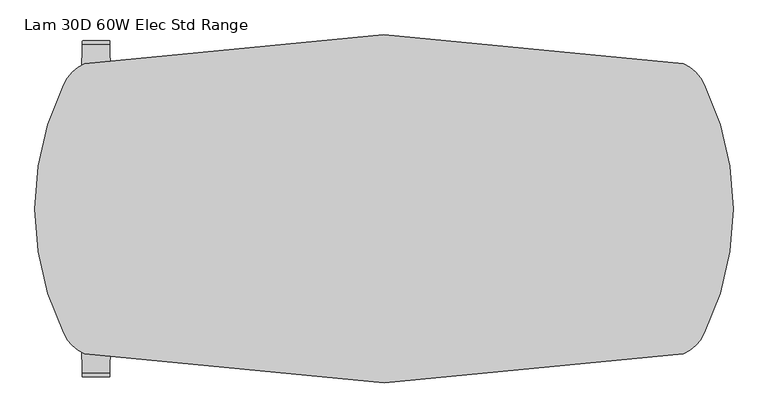
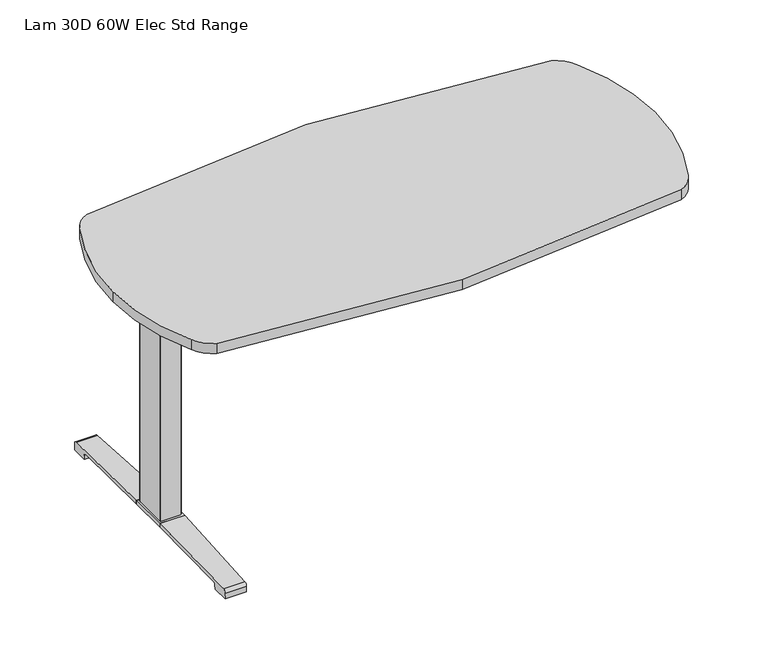
"""IFC4 building model written with IfcOpenShell, lengths in millimetres: furniture geometry, Lam 30D 60W Elec Std Range."""

from ifc_helpers import new_model, si_unit, point, frame, frame_2d, origin, place, context, project, spatial, polyline, circle_curve, ellipse_curve, trimmed, segment, composite_curve, outline, extrude, source, transform, mapped, element, save
from ifc_brep_helpers import plane_surface, cylinder_surface, revolved_surface, advanced_brep


def lam_30d_60w_elec_std_range_98c29b1e(model_context):
    return source(origin(), model_context, "Body", "SolidModel", [
        extrude(outline(composite_curve([segment(trimmed(circle_curve(frame_2d((-0.0040286, -3007.2815527)), 3386.7575527), [point((-651.7212572, 316.1792))], [point((-0.0040286, 379.476))], False, "CARTESIAN"), True, "CONTINUOUS"), segment(trimmed(circle_curve(frame_2d((-0.0040286, -3007.2815527)), 3386.7575527), [point((-0.0040286, 379.476))], [point((651.7132, 316.1792))], False, "CARTESIAN"), True, "CONTINUOUS"), segment(trimmed(circle_curve(frame_2d((622.090242, 241.090242)), 80.7209468), [point((651.7132, 316.1792))], [point((697.1792, 270.7132))], False, "CARTESIAN"), True, "CONTINUOUS"), segment(trimmed(circle_curve(frame_2d((149.9228477, 0.0)), 610.5531523), [point((697.1792, 270.7132))], [point((760.476, 0.0))], False, "CARTESIAN"), True, "CONTINUOUS"), segment(trimmed(circle_curve(frame_2d((149.9228477, 0.0)), 610.5531523), [point((760.476, 0.0))], [point((697.1792, -270.7132))], False, "CARTESIAN"), True, "CONTINUOUS"), segment(trimmed(circle_curve(frame_2d((622.090242, -241.090242)), 80.7209468), [point((697.1792, -270.7132))], [point((651.7132, -316.1792))], False, "CARTESIAN"), True, "CONTINUOUS"), segment(trimmed(circle_curve(frame_2d((0.0, 3007.2400737)), 3386.7160737), [point((651.7132, -316.1792))], [point((0.0, -379.476))], False, "CARTESIAN"), True, "CONTINUOUS"), segment(trimmed(circle_curve(frame_2d((0.0, 3007.2400737)), 3386.7160737), [point((0.0, -379.476))], [point((-651.7132, -316.1792))], False, "CARTESIAN"), True, "CONTINUOUS"), segment(trimmed(circle_curve(frame_2d((-622.090242, -241.090242)), 80.7209468), [point((-651.7132, -316.1792))], [point((-697.1792, -270.7132))], False, "CARTESIAN"), True, "CONTINUOUS"), segment(trimmed(circle_curve(frame_2d((-149.9228477, 0.0)), 610.5531523), [point((-697.1792, -270.7132))], [point((-760.476, 0.0))], False, "CARTESIAN"), True, "CONTINUOUS"), segment(trimmed(circle_curve(frame_2d((-149.9228477, 0.0)), 610.5531523), [point((-760.476, 0.0))], [point((-697.1792, 270.7132))], False, "CARTESIAN"), True, "CONTINUOUS"), segment(trimmed(circle_curve(frame_2d((-622.0896405, 241.0948909)), 80.7198004), [point((-697.1792, 270.7132))], [point((-651.7212572, 316.1792))], False, "CARTESIAN"), True, "CONTINUOUS")], self_intersect=False)), frame((0.0, 0.0, 707.009), z_axis=(0.0, 0.0, 1.0), x_axis=(1.0, 0.0, 0.0)), (0.0, 0.0, 1.0), 29.591),
        advanced_brep(
        [(-661.5906297, 53.5092702, 658.5915733), (-495.8622138, 53.5092702, 658.5915733), (-510.2424181, 51.2808169, 655.9442785), (-659.1018591, 51.2808169, 655.9442785), (-661.8125278, 53.518256, 658.8276054), (-664.2119089, 54.1622827, 675.7443054), (-481.4273962, 54.1622827, 675.7443054), (-481.4273962, 53.8142965, 666.6037253), (-484.2575093, 53.7331058, 664.4710821), (-484.4001644, 53.6554397, 662.4310191), (-665.0685362, 59.6293181, 681.7839076), (-481.4273962, 59.6293181, 681.7839076), (-667.5893767, 174.2005225, 699.5569507), (-603.3743442, 174.2005225, 699.5569507), (-481.4273962, 93.3958, 687.0219877), (-667.6628152, 177.9765275, 700.0747243), (-609.0729255, 177.9765275, 700.0747243), (-668.3371296, 179.4867839, 704.8289399), (-666.5521288, 176.9098888, 707.009), (-607.4632011, 176.9098888, 707.009), (-668.3371296, -179.4867839, 704.8289399), (-667.6628152, -177.9765275, 700.0747243), (-609.0729255, -177.9765275, 700.0747243), (-607.4632011, -176.9098888, 707.009), (-666.5521288, -176.9098888, 707.009), (-667.5893767, -174.2005225, 699.5569507), (-603.3743442, -174.2005225, 699.5569507), (-665.0685362, -59.6293181, 681.7839076), (-481.4273962, -59.6293181, 681.7839076), (-481.4273962, -93.3958, 687.0219877), (-664.2119089, -54.1622827, 675.7443054), (-481.4273962, -54.1622827, 675.7443054), (-661.8125278, -53.518256, 658.8276054), (-661.5906297, -53.5092702, 658.5915733), (-495.8622138, -53.5092702, 658.5915733), (-484.4001644, -53.6554397, 662.4310191), (-484.2575093, -53.7331058, 664.4710821), (-481.4273962, -53.8142965, 666.6037253), (-659.1018591, -51.2808169, 655.9442785), (-510.2424181, -51.2808169, 655.9442785), (-481.4273962, -93.3958, 707.009), (-481.4273962, 93.3958, 707.009)],
        [
            (0, 1),
            (1, 2, ellipse_curve(frame((-520.1436465, 130.5470009, 750.1086722), z_axis=(0.0, 0.7650318638532662, -0.6439924279750482), x_axis=(0.0, 0.6439924279750482, 0.7650318638532662)), 123.7641411, 94.6835116)),
            (2, 3),
            (3, 0),
            (0, 4),
            (4, 5),
            (5, 6),
            (6, 7),
            (7, 8),
            (8, 9),
            (9, 1, ellipse_curve(frame((-520.1436465, 56.9933686, 750.1086722), z_axis=(0.0, 0.999276106683639, -0.03804290487316255), x_axis=(0.0, 0.03804290487316397, 0.999276106683639)), 94.752102, 94.6835116)),
            (5, 10, ellipse_curve(frame((-664.1619691, 60.6208409, 675.3922075), z_axis=(-0.990090671484964, 0.0, -0.14042956326377007), x_axis=(-0.1404295632637696, 0.0, 0.990090671484964)), 6.5328852, 6.4681487)),
            (10, 11),
            (11, 6, circle_curve(frame((-481.4273962, 60.6208409, 675.3922075), z_axis=(1.0, 0.0, 0.0), x_axis=(0.0, 1.0, 0.0)), 6.4681487)),
            (10, 12),
            (12, 13),
            (13, 14),
            (14, 11),
            (12, 15),
            (15, 16),
            (16, 13),
            (15, 17, ellipse_curve(frame((-668.1230772, 175.9994111, 703.3197755), z_axis=(0.990090671484964, 0.0, 0.14042956326377007), x_axis=(0.1404295632637696, 0.0, -0.990090671484964)), 3.8379455, 3.7999141)),
            (17, 18, ellipse_curve(frame((-669.572811, 175.9994111, 703.3197755), z_axis=(0.7737284588433301, 0.0, -0.6335173809580328), x_axis=(0.6335173809580328, 0.0, 0.77372845884333)), 4.9111727, 3.7999141)),
            (18, 19),
            (19, 16, ellipse_curve(frame((-606.089148, 175.9994111, 703.3197755), z_axis=(-0.5523637579768157, -0.833603190297236, 0.0), x_axis=(0.833603190297236, -0.5523637579768157, 0.0)), 6.8793689, 3.7999141)),
            (20, 21, ellipse_curve(frame((-668.1230772, -175.9994111, 703.3197755), z_axis=(0.990090671484964, 0.0, 0.14042956326377007), x_axis=(0.1404295632637696, 0.0, -0.990090671484964)), 3.8379455, 3.7999141)),
            (21, 22),
            (22, 23, ellipse_curve(frame((-606.089148, -175.9994111, 703.3197755), z_axis=(-0.5523637579750327, 0.8336031902984176, 0.0), x_axis=(0.8336031902984175, 0.5523637579750327, 0.0)), 6.8793689, 3.7999141)),
            (23, 24),
            (24, 20, ellipse_curve(frame((-669.572811, -175.9994111, 703.3197755), z_axis=(0.7737284588433301, 0.0, -0.6335173809580328), x_axis=(0.6335173809580328, 0.0, 0.77372845884333)), 4.9111727, 3.7999141)),
            (21, 25),
            (25, 26),
            (26, 22),
            (27, 28),
            (28, 29),
            (29, 26),
            (25, 27),
            (27, 30, ellipse_curve(frame((-664.1619691, -60.6208409, 675.3922075), z_axis=(-0.990090671484964, 0.0, -0.14042956326377007), x_axis=(-0.1404295632637696, 0.0, 0.990090671484964)), 6.5328852, 6.4681487)),
            (30, 31),
            (31, 28, circle_curve(frame((-481.4273962, -60.6208409, 675.3922075), z_axis=(1.0, 0.0, 0.0), x_axis=(0.0, 1.0, 0.0)), 6.4681487)),
            (30, 32),
            (32, 33),
            (33, 34),
            (34, 35, ellipse_curve(frame((-520.1436465, -56.9933686, 750.1086722), z_axis=(0.0, -0.9992761066836363, -0.03804290487323539), x_axis=(0.0, 0.03804290487323121, -0.9992761066836364)), 94.752102, 94.6835116)),
            (35, 36),
            (36, 37),
            (37, 31),
            (33, 38),
            (38, 39),
            (39, 34, ellipse_curve(frame((-520.1436465, -130.5470009, 750.1086722), z_axis=(0.0, -0.7650318638534733, -0.643992427974802), x_axis=(0.0, 0.643992427974802, -0.7650318638534732)), 123.7641411, 94.6835116)),
            (4, 32),
            (20, 17),
            (24, 18),
            (23, 40),
            (40, 41),
            (41, 19),
            (37, 7),
            (14, 41),
            (40, 29),
            (36, 8),
            (35, 9),
            (39, 2),
            (38, 3),
        ],
        [
            plane_surface(frame((-684.6273962, 51.2808169, 655.9442785), z_axis=(0.0, 0.7650318638532662, -0.6439924279750482), x_axis=(1.0, 0.0, 0.0))),
            plane_surface(frame((-684.6273962, 53.5092702, 658.5915733), z_axis=(0.0, 0.999276106683639, -0.03804290487316255), x_axis=(1.0, 0.0, 0.0))),
            revolved_surface(polyline([(-665.0793793154883, 67.08898959999999, 675.3922075), (-481.4273962, 67.08898959999999, 675.3922075)]), (-684.6273962, 60.6208409, 675.3922075), (-1.0, 0.0, 0.0)),
            plane_surface(frame((-684.6273962, 59.6293181, 681.7839076), z_axis=(0.0, 0.153293135871396, -0.9881807600306302), x_axis=(1.0, 0.0, 0.0))),
            plane_surface(frame((-684.6273962, 174.2005225, 699.5569507), z_axis=(0.0, 0.13585085469026903, -0.9907292996979162), x_axis=(1.0, 0.0, 0.0))),
            cylinder_surface(frame((-684.6273962, 175.9994111, 703.3197755), z_axis=(1.0, 0.0, 0.0), x_axis=(0.0, 1.0, 0.0)), 3.7999141),
            cylinder_surface(frame((-684.6273962, -175.9994111, 703.3197755), z_axis=(1.0, 0.0, 0.0), x_axis=(0.0, 1.0, 0.0)), 3.7999141),
            plane_surface(frame((-684.6273962, -177.9765275, 700.0747243), z_axis=(0.0, -0.13585085468791205, -0.9907292996982394), x_axis=(1.0, 0.0, 0.0))),
            plane_surface(frame((-684.6273962, -174.2005225, 699.5569507), z_axis=(0.0, -0.1532931358714066, -0.9881807600306285), x_axis=(1.0, 0.0, 0.0))),
            revolved_surface(polyline([(-665.0793793154883, -54.1526922, 675.3922075), (-481.4273962, -54.1526922, 675.3922075)]), (-684.6273962, -60.6208409, 675.3922075), (-1.0, 0.0, 0.0)),
            plane_surface(frame((-684.6273962, -54.1622827, 675.7443054), z_axis=(0.0, -0.9992761066836363, -0.03804290487323539), x_axis=(1.0, 0.0, 0.0))),
            plane_surface(frame((-684.6273962, -53.5092702, 658.5915733), z_axis=(0.0, -0.7650318638534733, -0.643992427974802), x_axis=(1.0, 0.0, 0.0))),
            plane_surface(frame((-661.8125278, 190.5, 658.8276054), z_axis=(-0.990090671484964, 0.0, -0.14042956326377007), x_axis=(0.0, -1.0, 0.0))),
            plane_surface(frame((-668.3371296, 190.5, 704.8289399), z_axis=(-0.7737284588433301, 0.0, 0.6335173809580328), x_axis=(0.0, -1.0, 0.0))),
            plane_surface(frame((-666.5521288, 190.5, 707.009), z_axis=(0.0, 0.0, 1.0), x_axis=(0.0, -1.0, 0.0))),
            plane_surface(frame((-481.4273962, 190.5, 707.009), z_axis=(1.0, 0.0, 0.0), x_axis=(0.0, -1.0, 0.0))),
            plane_surface(frame((-481.4273962, 190.5, 666.6037253), z_axis=(0.6018150231515301, 0.0, -0.7986355100476834), x_axis=(0.0, -1.0, 0.0))),
            plane_surface(frame((-484.2575093, 190.5, 664.4710821), z_axis=(0.9975640502600411, 0.0, -0.06975647374102446), x_axis=(0.0, -1.0, 0.0))),
            cylinder_surface(frame((-520.1436465, 190.5, 750.1086722), z_axis=(0.0, 1.0, 0.0), x_axis=(1.0, 0.0, 0.0)), 94.6835116),
            plane_surface(frame((-510.2424181, 190.5, 655.9442785), z_axis=(0.0, 0.0, -1.0), x_axis=(0.0, -1.0, 0.0))),
            plane_surface(frame((-659.1018591, 190.5, 655.9442785), z_axis=(-0.728584606419653, 0.0, -0.6849558170337118), x_axis=(0.0, -1.0, 0.0))),
            plane_surface(frame((-627.9728017, 190.5, 707.009), z_axis=(0.5523637579768157, 0.833603190297236, 0.0), x_axis=(0.0, 0.0, -1.0))),
            plane_surface(frame((-481.4273962, -93.3958, 707.009), z_axis=(0.5523637579750327, -0.8336031902984176, 0.0), x_axis=(0.0, 0.0, -1.0))),
        ],
        [
            (0, [[1, 2, 3, 4]]),
            (1, [[-1, 5, 6, 7, 8, 9, 10, 11]]),
            (2, [[-7, 12, 13, 14]]),
            (3, [[-13, 15, 16, 17, 18]]),
            (4, [[19, 20, 21, -16]]),
            (5, [[22, 23, 24, 25, -20]]),
            (6, [[26, 27, 28, 29, 30]]),
            (7, [[31, 32, 33, -27]]),
            (8, [[34, 35, 36, -32, 37]]),
            (9, [[-34, 38, 39, 40]]),
            (10, [[-39, 41, 42, 43, 44, 45, 46, 47]]),
            (11, [[-43, 48, 49, 50]]),
            (12, [[51, -41, -38, -37, -31, -26, 52, -22, -19, -15, -12, -6]]),
            (13, [[-52, -30, 53, -23]]),
            (14, [[-53, -29, 54, 55, 56, -24]]),
            (15, [[57, -8, -14, -18, 58, -55, 59, -35, -40, -47]]),
            (16, [[-57, -46, 60, -9]]),
            (17, [[-60, -45, 61, -10]]),
            (18, [[-61, -44, -50, 62, -2, -11]]),
            (19, [[-62, -49, 63, -3]]),
            (20, [[-51, -5, -4, -63, -48, -42]]),
            (21, [[-56, -58, -17, -21, -25]]),
            (22, [[-54, -28, -33, -36, -59]]),
        ],
    ),
        advanced_brep(
        [(495.8622138, 53.5092702, 658.5915733), (661.5906297, 53.5092702, 658.5915733), (659.1018591, 51.2808169, 655.9442785), (510.2424181, 51.2808169, 655.9442785), (484.4001644, 53.6554397, 662.4310191), (484.2575093, 53.7331058, 664.4710821), (481.6119573, 53.8090018, 666.4646485), (481.6119573, 54.1622827, 675.7443054), (664.2119089, 54.1622827, 675.7443054), (661.8125278, 53.518256, 658.8276054), (481.6119573, 59.6293181, 681.7839076), (665.0685362, 59.6293181, 681.7839076), (481.6119573, 93.3889953, 687.0209321), (603.4070453, 174.2005225, 699.5569507), (667.5893767, 174.2005225, 699.5569507), (667.6628152, 177.9765275, 700.0747243), (609.0980509, 177.9765275, 700.0747243), (668.3371296, 179.4867839, 704.8289399), (607.4904665, 176.9098888, 707.009), (666.5521288, 176.9098888, 707.009), (667.6628152, -177.9765275, 700.0747243), (668.3371296, -179.4867839, 704.8289399), (666.5521288, -176.9098888, 707.009), (607.4904665, -176.9098888, 707.009), (609.0980509, -177.9765275, 700.0747243), (667.5893767, -174.2005225, 699.5569507), (603.4070453, -174.2005225, 699.5569507), (481.6119573, -59.6293181, 681.7839076), (665.0685362, -59.6293181, 681.7839076), (481.6119573, -93.3889953, 687.0209321), (481.6119573, -54.1622827, 675.7443054), (664.2119089, -54.1622827, 675.7443054), (481.6119573, -53.8090018, 666.4646485), (484.2575093, -53.7331058, 664.4710821), (484.4001644, -53.6554397, 662.4310191), (495.8622138, -53.5092702, 658.5915733), (661.5906297, -53.5092702, 658.5915733), (661.8125278, -53.518256, 658.8276054), (510.2424181, -51.2808169, 655.9442785), (659.1018591, -51.2808169, 655.9442785), (481.6119573, 93.3889953, 707.009), (481.6119573, -93.3889953, 707.009)],
        [
            (0, 1),
            (1, 2),
            (2, 3),
            (3, 0, ellipse_curve(frame((520.1436465, 130.5470009, 750.1086722), z_axis=(0.0, 0.7650318638532565, -0.6439924279750596), x_axis=(0.0, -0.6439924279750596, -0.7650318638532564)), 123.7641411, 94.6835116)),
            (0, 4, ellipse_curve(frame((520.1436465, 56.9933686, 750.1086722), z_axis=(0.0, 0.9992761066836392, -0.03804290487315862), x_axis=(0.0, -0.03804290487315623, -0.9992761066836393)), 94.752102, 94.6835116)),
            (4, 5),
            (5, 6),
            (6, 7),
            (7, 8),
            (8, 9),
            (9, 1),
            (7, 10, circle_curve(frame((481.6119573, 60.6208409, 675.3922075), z_axis=(-1.0, 0.0, 0.0), x_axis=(0.0, 1.0, 0.0)), 6.4681487)),
            (10, 11),
            (11, 8, ellipse_curve(frame((664.1619691, 60.6208409, 675.3922075), z_axis=(0.9900906714849659, 0.0, -0.1404295632637567), x_axis=(-0.1404295632637562, 0.0, -0.9900906714849659)), 6.5328852, 6.4681487)),
            (10, 12),
            (12, 13),
            (13, 14),
            (14, 11),
            (15, 14),
            (13, 16),
            (16, 15),
            (17, 15, ellipse_curve(frame((668.1230772, 175.9994111, 703.3197755), z_axis=(-0.9900906714849659, 0.0, 0.1404295632637567), x_axis=(0.1404295632637562, 0.0, 0.9900906714849659)), 3.8379455, 3.7999141)),
            (16, 18, ellipse_curve(frame((606.11824, 175.9994111, 703.3197755), z_axis=(0.5528743936295465, -0.8332646067539179, 0.0), x_axis=(0.8332646067539178, 0.5528743936295466, 0.0)), 6.8730151, 3.7999141)),
            (18, 19),
            (19, 17, ellipse_curve(frame((669.572811, 175.9994111, 703.3197755), z_axis=(-0.7737284588399557, 0.0, -0.633517380962154), x_axis=(0.6335173809621538, 0.0, -0.7737284588399556)), 4.9111727, 3.7999141)),
            (20, 21, ellipse_curve(frame((668.1230772, -175.9994111, 703.3197755), z_axis=(-0.9900906714849659, 0.0, 0.1404295632637567), x_axis=(0.1404295632637562, 0.0, 0.9900906714849659)), 3.8379455, 3.7999141)),
            (21, 22, ellipse_curve(frame((669.572811, -175.9994111, 703.3197755), z_axis=(-0.7737284588399557, 0.0, -0.633517380962154), x_axis=(0.6335173809621538, 0.0, -0.7737284588399556)), 4.9111727, 3.7999141)),
            (22, 23),
            (23, 24, ellipse_curve(frame((606.11824, -175.9994111, 703.3197755), z_axis=(0.5528743936295294, 0.8332646067539292, 0.0), x_axis=(0.833264606753929, -0.5528743936295294, 0.0)), 6.8730151, 3.7999141)),
            (24, 20),
            (25, 20),
            (24, 26),
            (26, 25),
            (27, 28),
            (28, 25),
            (26, 29),
            (29, 27),
            (27, 30, circle_curve(frame((481.6119573, -60.6208409, 675.3922075), z_axis=(-1.0, 0.0, 0.0), x_axis=(0.0, 1.0, 0.0)), 6.4681487)),
            (30, 31),
            (31, 28, ellipse_curve(frame((664.1619691, -60.6208409, 675.3922075), z_axis=(0.9900906714849659, 0.0, -0.1404295632637567), x_axis=(-0.1404295632637562, 0.0, -0.9900906714849659)), 6.5328852, 6.4681487)),
            (30, 32),
            (32, 33),
            (33, 34),
            (34, 35, ellipse_curve(frame((520.1436465, -56.9933686, 750.1086722), z_axis=(0.0, -0.9992761066836363, -0.03804290487323539), x_axis=(0.0, -0.03804290487323121, 0.9992761066836364)), 94.752102, 94.6835116)),
            (35, 36),
            (36, 37),
            (37, 31),
            (35, 38, ellipse_curve(frame((520.1436465, -130.5470009, 750.1086722), z_axis=(0.0, -0.7650318638534733, -0.643992427974802), x_axis=(0.0, -0.643992427974802, 0.7650318638534732)), 123.7641411, 94.6835116)),
            (38, 39),
            (39, 36),
            (37, 9),
            (17, 21),
            (19, 22),
            (18, 40),
            (40, 41),
            (41, 23),
            (6, 32),
            (29, 41),
            (40, 12),
            (5, 33),
            (4, 34),
            (3, 38),
            (2, 39),
        ],
        [
            plane_surface(frame((481.6119573, 51.2808169, 655.9442785), z_axis=(0.0, 0.7650318638532565, -0.6439924279750596), x_axis=(1.0, 0.0, 0.0))),
            plane_surface(frame((481.6119573, 53.5092702, 658.5915733), z_axis=(0.0, 0.9992761066836392, -0.03804290487315862), x_axis=(1.0, 0.0, 0.0))),
            revolved_surface(polyline([(481.6119573, 67.08898959999999, 675.3922075), (665.0793793154883, 67.08898959999999, 675.3922075)]), (481.6119573, 60.6208409, 675.3922075), (-1.0, 0.0, 0.0)),
            plane_surface(frame((481.6119573, 59.6293181, 681.7839076), z_axis=(0.0, 0.15329313587140309, -0.988180760030629), x_axis=(1.0, 0.0, 0.0))),
            plane_surface(frame((481.6119573, 174.2005225, 699.5569507), z_axis=(0.0, 0.1358508546900816, -0.9907292996979419), x_axis=(1.0, 0.0, 0.0))),
            cylinder_surface(frame((481.6119573, 175.9994111, 703.3197755), z_axis=(1.0, 0.0, 0.0), x_axis=(0.0, 1.0, 0.0)), 3.7999141),
            cylinder_surface(frame((481.6119573, -175.9994111, 703.3197755), z_axis=(1.0, 0.0, 0.0), x_axis=(0.0, 1.0, 0.0)), 3.7999141),
            plane_surface(frame((481.6119573, -177.9765275, 700.0747243), z_axis=(0.0, -0.1358508546877776, -0.9907292996982578), x_axis=(1.0, 0.0, 0.0))),
            plane_surface(frame((481.6119573, -174.2005225, 699.5569507), z_axis=(0.0, -0.15329313587141113, -0.9881807600306277), x_axis=(1.0, 0.0, 0.0))),
            revolved_surface(polyline([(481.6119573, -54.1526922, 675.3922075), (665.0793793154883, -54.1526922, 675.3922075)]), (481.6119573, -60.6208409, 675.3922075), (-1.0, 0.0, 0.0)),
            plane_surface(frame((481.6119573, -54.1622827, 675.7443054), z_axis=(0.0, -0.9992761066836363, -0.03804290487323539), x_axis=(1.0, 0.0, 0.0))),
            plane_surface(frame((481.6119573, -53.5092702, 658.5915733), z_axis=(0.0, -0.7650318638534733, -0.643992427974802), x_axis=(1.0, 0.0, 0.0))),
            plane_surface(frame((661.8125278, -190.5, 658.8276054), z_axis=(0.9900906714849659, 0.0, -0.1404295632637567), x_axis=(0.0, 1.0, 0.0))),
            plane_surface(frame((668.3371296, -190.5, 704.8289399), z_axis=(0.7737284588399557, 0.0, 0.633517380962154), x_axis=(0.0, 1.0, 0.0))),
            plane_surface(frame((666.5521288, -190.5, 707.009), z_axis=(0.0, 0.0, 1.0), x_axis=(0.0, 1.0, 0.0))),
            plane_surface(frame((481.6119573, -190.5, 707.009), z_axis=(-1.0, 0.0, 0.0), x_axis=(0.0, 1.0, 0.0))),
            plane_surface(frame((481.6119573, -190.5, 666.4646485), z_axis=(-0.6018150231540825, 0.0, -0.7986355100457599), x_axis=(0.0, 1.0, 0.0))),
            plane_surface(frame((484.2575093, -190.5, 664.4710821), z_axis=(-0.9975640502598242, 0.0, -0.06975647374412697), x_axis=(0.0, 1.0, 0.0))),
            cylinder_surface(frame((520.1436465, -190.5, 750.1086722), z_axis=(0.0, -1.0, 0.0), x_axis=(-1.0, 0.0, 0.0)), 94.6835116),
            plane_surface(frame((510.2424181, -190.5, 655.9442785), z_axis=(0.0, 0.0, -1.0), x_axis=(0.0, 1.0, 0.0))),
            plane_surface(frame((659.1018591, -190.5, 655.9442785), z_axis=(0.7285846064222866, 0.0, -0.6849558170309101), x_axis=(0.0, 1.0, 0.0))),
            plane_surface(frame((481.6119573, 93.3889953, 707.009), z_axis=(-0.5528743936295465, 0.8332646067539179, 0.0), x_axis=(0.0, 0.0, -1.0))),
            plane_surface(frame((627.9728017, -190.5, 707.009), z_axis=(-0.5528743936295294, -0.8332646067539292, 0.0), x_axis=(0.0, 0.0, -1.0))),
        ],
        [
            (0, [[1, 2, 3, 4]]),
            (1, [[-1, 5, 6, 7, 8, 9, 10, 11]]),
            (2, [[-9, 12, 13, 14]]),
            (3, [[-13, 15, 16, 17, 18]]),
            (4, [[19, -17, 20, 21]]),
            (5, [[22, -21, 23, 24, 25]]),
            (6, [[26, 27, 28, 29, 30]]),
            (7, [[31, -30, 32, 33]]),
            (8, [[34, 35, -33, 36, 37]]),
            (9, [[-34, 38, 39, 40]]),
            (10, [[-39, 41, 42, 43, 44, 45, 46, 47]]),
            (11, [[-45, 48, 49, 50]]),
            (12, [[51, -10, -14, -18, -19, -22, 52, -26, -31, -35, -40, -47]]),
            (13, [[-52, -25, 53, -27]]),
            (14, [[-53, -24, 54, 55, 56, -28]]),
            (15, [[57, -41, -38, -37, 58, -55, 59, -15, -12, -8]]),
            (16, [[-57, -7, 60, -42]]),
            (17, [[-60, -6, 61, -43]]),
            (18, [[-61, -5, -4, 62, -48, -44]]),
            (19, [[-62, -3, 63, -49]]),
            (20, [[-51, -46, -50, -63, -2, -11]]),
            (21, [[-54, -23, -20, -16, -59]]),
            (22, [[-56, -58, -36, -32, -29]]),
        ],
    ),
        advanced_brep(
        [(-481.4273962, 78.6831697, 701.7794894), (-481.4273962, 80.4475242, 704.0075511), (-481.4273962, 91.4281225, 704.0075511), (-481.4273962, 92.1582919, 701.4093085), (-481.4273962, 70.7319108, 671.8462148), (-481.4273962, 53.3310914, 663.2452863), (-481.4273962, -53.4567844, 663.2452863), (-481.4273962, -71.0845783, 672.2997482), (-481.4273962, -92.4192862, 702.0706054), (-481.4273962, -90.7807234, 704.1266572), (-481.4273962, -80.5655902, 704.1266572), (-481.4273962, -78.6946152, 701.7794894), (-481.4273962, -79.4358363, 701.2423822), (-481.4273962, -81.0060637, 703.2122572), (-481.4273962, -90.6846762, 703.2122572), (-481.4273962, -91.4905649, 702.3444366), (-481.4273962, -70.3413256, 672.8323858), (-481.4273962, -53.4567844, 664.1598536), (-481.4273962, 53.3310914, 664.1596863), (-481.4273962, 69.99844, 672.3923713), (-481.4273962, 91.3521627, 701.8552144), (-481.4273962, 91.0948942, 703.0931511), (-481.4273962, 80.889809, 703.0931511), (-481.4273962, 79.4242719, 701.2424419), (481.6119573, 78.6831697, 701.7794894), (481.6119573, 79.4242719, 701.2424419), (481.6119573, 80.889809, 703.0931511), (481.6119573, 91.0948942, 703.0931511), (481.6119573, 91.3521627, 701.8552144), (481.6119573, 69.99844, 672.3923713), (481.6119573, 53.3310914, 664.1596863), (481.6119573, -53.4567845, 664.1596863), (481.6119573, -70.3413256, 672.8323858), (481.6119573, -91.4905649, 702.3444366), (481.6119573, -90.6846762, 703.2122572), (481.6119573, -81.0060637, 703.2122572), (481.6119573, -79.4358363, 701.2423822), (481.6119573, -78.6946152, 701.7794894), (481.6119573, -80.5655902, 704.1266572), (481.6119573, -90.7807234, 704.1266572), (481.6119573, -92.4192862, 702.0706054), (481.6119573, -71.0845783, 672.2997482), (481.6119573, -53.4567844, 663.2454536), (481.6119573, 53.3310914, 663.2452863), (481.6119573, 70.7319108, 671.8462148), (481.6119573, 92.1582919, 701.4093085), (481.6119573, 91.4281225, 704.0075511), (481.6119573, 80.4475242, 704.0075511)],
        [
            (0, 1),
            (1, 2),
            (2, 3, circle_curve(frame((-481.4273962, 90.2105576, 702.2636667), z_axis=(-1.0, 0.0, 0.0), x_axis=(0.0, 1.0, 0.0)), 2.1268749)),
            (3, 4),
            (4, 5, circle_curve(frame((-481.4273962, 53.3310914, 685.1478336), z_axis=(-1.0, 0.0, 0.0), x_axis=(0.0, 1.0, 0.0)), 21.9025472)),
            (5, 6),
            (6, 7, circle_curve(frame((-481.4273962, -53.4567844, 684.932365), z_axis=(-1.0, 0.0, 0.0), x_axis=(0.0, 1.0, 0.0)), 21.6869114)),
            (7, 8),
            (8, 9, circle_curve(frame((-481.4273962, -90.4189365, 702.1573833), z_axis=(-1.0, 0.0, 0.0), x_axis=(0.0, 1.0, 0.0)), 2.0022311)),
            (9, 10),
            (10, 11),
            (11, 12),
            (12, 13),
            (13, 14),
            (14, 15, circle_curve(frame((-481.4273962, -90.4189365, 702.1573833), z_axis=(1.0, 0.0, 0.0), x_axis=(0.0, 1.0, 0.0)), 1.0878311)),
            (15, 16),
            (16, 17, circle_curve(frame((-481.4273962, -53.4567844, 684.932365), z_axis=(1.0, 0.0, 0.0), x_axis=(0.0, 1.0, 0.0)), 20.7725114)),
            (17, 18),
            (18, 19, circle_curve(frame((-481.4273962, 53.3310914, 685.1478336), z_axis=(1.0, 0.0, 0.0), x_axis=(0.0, 1.0, 0.0)), 20.9881473)),
            (19, 20),
            (20, 21, circle_curve(frame((-481.4273962, 90.2105576, 702.2636667), z_axis=(1.0, 0.0, 0.0), x_axis=(0.0, 1.0, 0.0)), 1.2124749)),
            (21, 22),
            (22, 23),
            (23, 0),
            (24, 25),
            (25, 26),
            (26, 27),
            (27, 28, circle_curve(frame((481.6119573, 90.2105576, 702.2636667), z_axis=(-1.0, 0.0, 0.0), x_axis=(0.0, 1.0, 0.0)), 1.2124749)),
            (28, 29),
            (29, 30, circle_curve(frame((481.6119573, 53.3310914, 685.1478336), z_axis=(-1.0, 0.0, 0.0), x_axis=(0.0, 1.0, 0.0)), 20.9881473)),
            (30, 31),
            (31, 32, circle_curve(frame((481.6119573, -53.4567844, 684.932365), z_axis=(-1.0, 0.0, 0.0), x_axis=(0.0, 1.0, 0.0)), 20.7725114)),
            (32, 33),
            (33, 34, circle_curve(frame((481.6119573, -90.4189365, 702.1573833), z_axis=(-1.0, 0.0, 0.0), x_axis=(0.0, 1.0, 0.0)), 1.0878311)),
            (34, 35),
            (35, 36),
            (36, 37),
            (37, 38),
            (38, 39),
            (39, 40, circle_curve(frame((481.6119573, -90.4189365, 702.1573833), z_axis=(1.0, 0.0, 0.0), x_axis=(0.0, 1.0, 0.0)), 2.0022311)),
            (40, 41),
            (41, 42, circle_curve(frame((481.6119573, -53.4567844, 684.932365), z_axis=(1.0, 0.0, 0.0), x_axis=(0.0, 1.0, 0.0)), 21.6869114)),
            (42, 43),
            (43, 44, circle_curve(frame((481.6119573, 53.3310914, 685.1478336), z_axis=(1.0, 0.0, 0.0), x_axis=(0.0, 1.0, 0.0)), 21.9025472)),
            (44, 45),
            (45, 46, circle_curve(frame((481.6119573, 90.2105576, 702.2636667), z_axis=(1.0, 0.0, 0.0), x_axis=(0.0, 1.0, 0.0)), 2.1268749)),
            (46, 47),
            (47, 24),
            (0, 24),
            (47, 1),
            (46, 2),
            (45, 3),
            (44, 4),
            (43, 5),
            (42, 6),
            (41, 7),
            (40, 8),
            (39, 9),
            (38, 10),
            (37, 11),
            (36, 12),
            (35, 13),
            (34, 14),
            (33, 15),
            (32, 16),
            (31, 17),
            (30, 18),
            (29, 19),
            (28, 20),
            (27, 21),
            (26, 22),
            (25, 23),
        ],
        [
            plane_surface(frame((-481.4273962, 0.0, 707.009), z_axis=(-1.0, 0.0, 0.0), x_axis=(0.0, 0.0, 1.0))),
            plane_surface(frame((481.6119573, 0.0, 707.009), z_axis=(1.0, 0.0, 0.0), x_axis=(0.0, 0.0, 1.0))),
            plane_surface(frame((-481.4273962, 78.6831697, 701.7794894), z_axis=(0.0, -0.7839649337165058, 0.6208051084703434), x_axis=(1.0, 0.0, 0.0))),
            plane_surface(frame((-481.4273962, 80.4475242, 704.0075511), z_axis=(0.0, 0.0, 1.0), x_axis=(1.0, 0.0, 0.0))),
            cylinder_surface(frame((-481.4273962, 90.2105576, 702.2636667), z_axis=(-1.0, 0.0, 0.0), x_axis=(0.0, 1.0, 0.0)), 2.1268749),
            plane_surface(frame((-481.4273962, 92.1582919, 701.4093085), z_axis=(0.0, 0.8096997445281038, -0.586844377762217), x_axis=(1.0, 0.0, 0.0))),
            cylinder_surface(frame((-481.4273962, 53.3310914, 685.1478336), z_axis=(-1.0, 0.0, 0.0), x_axis=(0.0, 1.0, 0.0)), 21.9025472),
            plane_surface(frame((-481.4273962, 53.3310914, 663.2452863), z_axis=(0.0, 0.0, -1.0), x_axis=(1.0, 0.0, 0.0))),
            cylinder_surface(frame((-481.4273962, -53.4567844, 684.932365), z_axis=(-1.0, 0.0, 0.0), x_axis=(0.0, 1.0, 0.0)), 21.6869114),
            plane_surface(frame((-481.4273962, -71.0845783, 672.2997482), z_axis=(0.0, -0.8128309997561537, -0.5824995844079305), x_axis=(1.0, 0.0, 0.0))),
            cylinder_surface(frame((-481.4273962, -90.4189365, 702.1573833), z_axis=(-1.0, 0.0, 0.0), x_axis=(0.0, 1.0, 0.0)), 2.0022311),
            plane_surface(frame((-481.4273962, -90.7807234, 704.1266572), z_axis=(0.0, 0.0, 1.0), x_axis=(1.0, 0.0, 0.0))),
            plane_surface(frame((-481.4273962, -80.5655902, 704.1266572), z_axis=(0.0, 0.7819660587237972, 0.6233210112004657), x_axis=(1.0, 0.0, 0.0))),
            plane_surface(frame((-481.4273962, -78.6946152, 701.7794894), z_axis=(0.0, 0.5867684336468096, -0.8097547809526473), x_axis=(1.0, 0.0, 0.0))),
            plane_surface(frame((-481.4273962, -79.4358363, 701.2423822), z_axis=(0.0, -0.7819660587239206, -0.6233210112003109), x_axis=(1.0, 0.0, 0.0))),
            plane_surface(frame((-481.4273962, -81.0060637, 703.2122572), z_axis=(0.0, 0.0, -1.0), x_axis=(1.0, 0.0, 0.0))),
            revolved_surface(polyline([(481.6119573, -89.3311054, 702.1573833), (-481.4273962, -89.3311054, 702.1573833)]), (-481.4273962, -90.4189365, 702.1573833), (1.0, 0.0, 0.0)),
            plane_surface(frame((-481.4273962, -91.4905649, 702.3444366), z_axis=(0.0, 0.8128309996716102, 0.582499584525904), x_axis=(1.0, 0.0, 0.0))),
            revolved_surface(polyline([(481.6119573, -32.684273, 684.932365), (-481.4273962, -32.684273, 684.932365)]), (-481.4273962, -53.4567844, 684.932365), (1.0, 0.0, 0.0)),
            plane_surface(frame((-481.4273962, -53.4567845, 664.1596863), z_axis=(0.0, 0.0, 1.0), x_axis=(1.0, 0.0, 0.0))),
            revolved_surface(polyline([(481.6119573, 74.3192387, 685.1478336), (-481.4273962, 74.3192387, 685.1478336)]), (-481.4273962, 53.3310914, 685.1478336), (1.0, 0.0, 0.0)),
            plane_surface(frame((-481.4273962, 69.99844, 672.3923713), z_axis=(0.0, -0.8096997449536107, 0.5868443771751228), x_axis=(1.0, 0.0, 0.0))),
            revolved_surface(polyline([(481.6119573, 91.4230325, 702.2636667), (-481.4273962, 91.4230325, 702.2636667)]), (-481.4273962, 90.2105576, 702.2636667), (1.0, 0.0, 0.0)),
            plane_surface(frame((-481.4273962, 91.0948942, 703.0931511), z_axis=(0.0, 0.0, -1.0), x_axis=(1.0, 0.0, 0.0))),
            plane_surface(frame((-481.4273962, 80.889809, 703.0931511), z_axis=(0.0, 0.7839649337164979, -0.6208051084703533), x_axis=(1.0, 0.0, 0.0))),
            plane_surface(frame((-481.4273962, 79.4242719, 701.2424419), z_axis=(0.0, -0.5867873637752554, -0.8097410633737715), x_axis=(1.0, 0.0, 0.0))),
        ],
        [
            (0, [[1, 2, 3, 4, 5, 6, 7, 8, 9, 10, 11, 12, 13, 14, 15, 16, 17, 18, 19, 20, 21, 22, 23, 24]]),
            (1, [[25, 26, 27, 28, 29, 30, 31, 32, 33, 34, 35, 36, 37, 38, 39, 40, 41, 42, 43, 44, 45, 46, 47, 48]]),
            (2, [[-1, 49, -48, 50]]),
            (3, [[-2, -50, -47, 51]]),
            (4, [[-3, -51, -46, 52]]),
            (5, [[-4, -52, -45, 53]]),
            (6, [[-5, -53, -44, 54]]),
            (7, [[-6, -54, -43, 55]]),
            (8, [[-7, -55, -42, 56]]),
            (9, [[-8, -56, -41, 57]]),
            (10, [[-9, -57, -40, 58]]),
            (11, [[-10, -58, -39, 59]]),
            (12, [[-11, -59, -38, 60]]),
            (13, [[-12, -60, -37, 61]]),
            (14, [[-13, -61, -36, 62]]),
            (15, [[-14, -62, -35, 63]]),
            (16, [[-15, -63, -34, 64]]),
            (17, [[-16, -64, -33, 65]]),
            (18, [[-17, -65, -32, 66]]),
            (19, [[-18, -66, -31, 67]]),
            (20, [[-19, -67, -30, 68]]),
            (21, [[-20, -68, -29, 69]]),
            (22, [[-21, -69, -28, 70]]),
            (23, [[-22, -70, -27, 71]]),
            (24, [[-23, -71, -26, 72]]),
            (25, [[-24, -72, -25, -49]]),
        ],
    ),
        extrude(outline(composite_curve([segment(polyline([(-85.2357617, 705.3739712), (-93.5160102, 705.3739712), (-94.0273408, 704.3565876), (-71.001647, 672.4872047)]), True, "CONTINUOUS"), segment(trimmed(circle_curve(frame_2d((-52.8576186, 688.0741393)), 23.9198306), [point((-71.001647, 672.4872047))], [point((-52.8576186, 664.1543087))], True, "CARTESIAN"), True, "CONTINUOUS"), segment(polyline([(-52.8576186, 664.1543087), (160.8304611, 664.1543087)]), True, "CONTINUOUS"), segment(trimmed(circle_curve(frame_2d((161.6245677, 686.2522042)), 22.1121593), [point((160.8304611, 664.1543087))], [point((179.5297793, 673.2771903))], True, "CARTESIAN"), True, "CONTINUOUS"), segment(polyline([(179.5297793, 673.2771903), (201.4820672, 703.5708273), (202.2225039, 703.0342821), (180.2702102, 672.740637)]), True, "CONTINUOUS"), segment(trimmed(circle_curve(frame_2d((161.6245677, 686.2522042)), 23.0265593), [point((180.2702102, 672.740637))], [point((160.814203, 663.2399087))], False, "CARTESIAN"), True, "CONTINUOUS"), segment(polyline([(160.814203, 663.2399087), (-52.8576186, 663.2399087)]), True, "CONTINUOUS"), segment(trimmed(circle_curve(frame_2d((-52.8576186, 688.0741393)), 24.8342306), [point((-52.8576186, 663.2399087))], [point((-71.7205231, 671.9208163))], False, "CARTESIAN"), True, "CONTINUOUS"), segment(polyline([(-71.7205231, 671.9208163), (-95.0936869, 704.2711252), (-94.0798316, 706.2883712), (-84.9968781, 706.2883712), (-85.2357617, 705.3739712)]), True, "CONTINUOUS")], self_intersect=False)), frame((-481.4273962, 0.0, 0.0), z_axis=(1.0, 0.0, 0.0), x_axis=(0.0, 1.0, 0.0)), (0.0, 0.0, 1.0), 963.0393535),
        advanced_brep(
        [(605.1783088, 44.7482497, 655.9442785), (602.4124028, 42.3950111, 655.9442785), (602.4124028, -42.3786142, 655.9442785), (605.4659671, -44.728013, 655.9442785), (648.7799922, -44.7482497, 655.9442785), (651.8395972, -42.3785064, 655.9442785), (651.8395972, 42.3950956, 655.9442785), (649.0736912, 44.7482497, 655.9442785), (605.1783088, 44.7482497, 599.0990785), (649.0736912, 44.7482497, 599.0990785), (651.8395972, 42.3950956, 599.0990785), (651.8395972, -42.3785064, 599.0990785), (648.7860098, -44.7280077, 599.0990785), (605.4720078, -44.7482497, 599.0990785), (602.4124028, -42.3786142, 599.0990785), (602.4124028, 42.3950111, 599.0990785)],
        [
            (0, 1, circle_curve(frame((605.4800788, 41.5914719, 655.9442785), z_axis=(0.0, 0.0, 1.0), x_axis=(1.0, 0.0, 0.0)), 3.1711688)),
            (1, 2),
            (2, 3, circle_curve(frame((605.4659671, -41.568922, 655.9442785), z_axis=(0.0, 0.0, 1.0), x_axis=(1.0, 0.0, 0.0)), 3.1590911)),
            (3, 4),
            (4, 5, circle_curve(frame((648.7860098, -41.568922, 655.9442785), z_axis=(0.0, 0.0, 1.0), x_axis=(1.0, 0.0, 0.0)), 3.1590858)),
            (5, 6),
            (6, 7, circle_curve(frame((648.7719439, 41.5914698, 655.9442785), z_axis=(0.0, 0.0, 1.0), x_axis=(1.0, 0.0, 0.0)), 3.1711687)),
            (7, 0),
            (8, 9),
            (9, 10, circle_curve(frame((648.7719439, 41.5914698, 599.0990785), z_axis=(0.0, 0.0, -1.0), x_axis=(1.0, 0.0, 0.0)), 3.1711687)),
            (10, 11),
            (11, 12, circle_curve(frame((648.7860098, -41.568922, 599.0990785), z_axis=(0.0, 0.0, -1.0), x_axis=(1.0, 0.0, 0.0)), 3.1590858)),
            (12, 13),
            (13, 14, circle_curve(frame((605.4659671, -41.568922, 599.0990785), z_axis=(0.0, 0.0, -1.0), x_axis=(1.0, 0.0, 0.0)), 3.1590911)),
            (14, 15),
            (15, 8, circle_curve(frame((605.4800788, 41.5914719, 599.0990785), z_axis=(0.0, 0.0, -1.0), x_axis=(1.0, 0.0, 0.0)), 3.1711688)),
            (7, 9),
            (8, 0),
            (6, 10),
            (5, 11),
            (4, 12),
            (3, 13),
            (2, 14),
            (1, 15),
        ],
        [
            plane_surface(frame((608.6512476, 41.5914719, 655.9442785), z_axis=(0.0, 0.0, 1.0), x_axis=(0.0, 1.0, 0.0))),
            plane_surface(frame((608.6512476, 41.5914719, 599.0990785), z_axis=(0.0, 0.0, -1.0), x_axis=(0.0, -1.0, 0.0))),
            plane_surface(frame((649.0736912, 44.7482497, 655.9442785), z_axis=(0.0, 1.0, 0.0), x_axis=(0.0, 0.0, -1.0))),
            cylinder_surface(frame((648.7719439, 41.5914698, 599.0990785), z_axis=(0.0, 0.0, 1.0), x_axis=(1.0, 0.0, 0.0)), 3.1711687),
            plane_surface(frame((651.8395972, -42.3785064, 655.9442785), z_axis=(1.0, 0.0, 0.0), x_axis=(0.0, 0.0, -1.0))),
            cylinder_surface(frame((648.7860098, -41.568922, 599.0990785), z_axis=(0.0, 0.0, 1.0), x_axis=(1.0, 0.0, 0.0)), 3.1590858),
            plane_surface(frame((605.4720078, -44.7482497, 655.9442785), z_axis=(0.0, -1.0, 0.0), x_axis=(0.0, 0.0, -1.0))),
            cylinder_surface(frame((605.4659671, -41.568922, 599.0990785), z_axis=(0.0, 0.0, 1.0), x_axis=(1.0, 0.0, 0.0)), 3.1590911),
            plane_surface(frame((602.4124028, 42.3950111, 655.9442785), z_axis=(-1.0, 0.0, 0.0), x_axis=(0.0, 0.0, -1.0))),
            cylinder_surface(frame((605.4800788, 41.5914719, 599.0990785), z_axis=(0.0, 0.0, 1.0), x_axis=(1.0, 0.0, 0.0)), 3.1711688),
        ],
        [
            (0, [[1, 2, 3, 4, 5, 6, 7, 8]]),
            (1, [[9, 10, 11, 12, 13, 14, 15, 16]]),
            (2, [[-8, 17, -9, 18]]),
            (3, [[-7, 19, -10, -17]]),
            (4, [[-6, 20, -11, -19]]),
            (5, [[-5, 21, -12, -20]]),
            (6, [[-4, 22, -13, -21]]),
            (7, [[-3, 23, -14, -22]]),
            (8, [[-2, 24, -15, -23]]),
            (9, [[-1, -18, -16, -24]]),
        ],
    ),
        advanced_brep(
        [(-605.1783088, 44.7482497, 655.9442785), (-649.0736912, 44.7482497, 655.9442785), (-651.8306448, 42.4285241, 655.9442785), (-651.8306448, -42.4115492, 655.9442785), (-648.7860098, -44.7280077, 655.9442785), (-605.4720078, -44.7482497, 655.9442785), (-602.4213552, -42.4116525, 655.9442785), (-602.4213552, 42.4284433, 655.9442785), (-605.1783088, 44.7482497, 599.0990785), (-602.4213552, 42.4284433, 599.0990785), (-602.4213552, -42.4116525, 599.0990785), (-605.4659671, -44.728013, 599.0990785), (-648.7799922, -44.7482497, 599.0990785), (-651.8306448, -42.4115492, 599.0990785), (-651.8306448, 42.4285241, 599.0990785), (-649.0736912, 44.7482497, 599.0990785)],
        [
            (0, 1),
            (1, 2, circle_curve(frame((-648.7719439, 41.5914698, 655.9442785), z_axis=(0.0, 0.0, 1.0), x_axis=(-1.0, 0.0, 0.0)), 3.1711687)),
            (2, 3),
            (3, 4, circle_curve(frame((-648.7860098, -41.568922, 655.9442785), z_axis=(0.0, 0.0, 1.0), x_axis=(-1.0, 0.0, 0.0)), 3.1590858)),
            (4, 5),
            (5, 6, circle_curve(frame((-605.4659671, -41.568922, 655.9442785), z_axis=(0.0, 0.0, 1.0), x_axis=(-1.0, 0.0, 0.0)), 3.1590911)),
            (6, 7),
            (7, 0, circle_curve(frame((-605.4800788, 41.5914719, 655.9442785), z_axis=(0.0, 0.0, 1.0), x_axis=(-1.0, 0.0, 0.0)), 3.1711688)),
            (8, 9, circle_curve(frame((-605.4800788, 41.5914719, 599.0990785), z_axis=(0.0, 0.0, -1.0), x_axis=(-1.0, 0.0, 0.0)), 3.1711688)),
            (9, 10),
            (10, 11, circle_curve(frame((-605.4659671, -41.568922, 599.0990785), z_axis=(0.0, 0.0, -1.0), x_axis=(-1.0, 0.0, 0.0)), 3.1590911)),
            (11, 12),
            (12, 13, circle_curve(frame((-648.7860098, -41.568922, 599.0990785), z_axis=(0.0, 0.0, -1.0), x_axis=(-1.0, 0.0, 0.0)), 3.1590858)),
            (13, 14),
            (14, 15, circle_curve(frame((-648.7719439, 41.5914698, 599.0990785), z_axis=(0.0, 0.0, -1.0), x_axis=(-1.0, 0.0, 0.0)), 3.1711687)),
            (15, 8),
            (0, 8),
            (15, 1),
            (14, 2),
            (13, 3),
            (12, 4),
            (11, 5),
            (10, 6),
            (9, 7),
        ],
        [
            plane_surface(frame((-649.0736912, 44.7482497, 655.9442785), z_axis=(0.0, 0.0, 1.0), x_axis=(-1.0, 0.0, 0.0))),
            plane_surface(frame((-649.0736912, 44.7482497, 599.0990785), z_axis=(0.0, 0.0, -1.0), x_axis=(1.0, 0.0, 0.0))),
            plane_surface(frame((-605.1783088, 44.7482497, 655.9442785), z_axis=(0.0, 1.0, 0.0), x_axis=(0.0, 0.0, -1.0))),
            cylinder_surface(frame((-648.7719439, 41.5914698, 599.0990785), z_axis=(0.0, 0.0, 1.0), x_axis=(-1.0, 0.0, 0.0)), 3.1711687),
            plane_surface(frame((-651.8306448, 42.4285241, 655.9442785), z_axis=(-1.0, 0.0, 0.0), x_axis=(0.0, 0.0, -1.0))),
            cylinder_surface(frame((-648.7860098, -41.568922, 599.0990785), z_axis=(0.0, 0.0, 1.0), x_axis=(-1.0, 0.0, 0.0)), 3.1590858),
            plane_surface(frame((-648.7799922, -44.7482497, 655.9442785), z_axis=(0.0, -1.0, 0.0), x_axis=(0.0, 0.0, -1.0))),
            cylinder_surface(frame((-605.4659671, -41.568922, 599.0990785), z_axis=(0.0, 0.0, 1.0), x_axis=(-1.0, 0.0, 0.0)), 3.1590911),
            plane_surface(frame((-602.4213552, -42.4116525, 655.9442785), z_axis=(1.0, 0.0, 0.0), x_axis=(0.0, 0.0, -1.0))),
            cylinder_surface(frame((-605.4800788, 41.5914719, 599.0990785), z_axis=(0.0, 0.0, 1.0), x_axis=(-1.0, 0.0, 0.0)), 3.1711688),
        ],
        [
            (0, [[1, 2, 3, 4, 5, 6, 7, 8]]),
            (1, [[9, 10, 11, 12, 13, 14, 15, 16]]),
            (2, [[-1, 17, -16, 18]]),
            (3, [[-2, -18, -15, 19]]),
            (4, [[-3, -19, -14, 20]]),
            (5, [[-4, -20, -13, 21]]),
            (6, [[-5, -21, -12, 22]]),
            (7, [[-6, -22, -11, 23]]),
            (8, [[-7, -23, -10, 24]]),
            (9, [[-8, -24, -9, -17]]),
        ],
    ),
        advanced_brep(
        [(-597.4514654, 366.395, 26.8186), (-597.3197974, 358.907527, 35.7787117), (-591.9952167, 56.1182127, 48.10013), (-591.9952167, 56.1182127, 38.9541198), (-596.4836749, 311.3603185, 29.0296138), (-596.5883932, 317.3152602, 22.833301), (-596.6080704, 318.4342309, 10.0434261), (-597.4260503, 364.9497362, 10.041053), (-656.9318447, 358.907527, 35.7787117), (-656.8001767, 366.395, 26.8186), (-656.8255918, 364.9497362, 10.041053), (-657.6435717, 318.4342309, 10.0434261), (-657.6632489, 317.3152602, 22.833301), (-657.7679671, 311.3603185, 29.0296138), (-662.2564255, 56.1182064, 38.9541201), (-662.2564254, 56.1182127, 48.10013)],
        [
            (0, 1, ellipse_curve(frame((-597.3063169, 358.1409412, 27.5296273), z_axis=(0.9998454179622458, 0.017582382657139087, 0.0), x_axis=(0.01758238265713509, -0.9998454179622457, 0.0)), 8.285908, 8.2846272)),
            (1, 2, ellipse_curve(frame((-567.0732477, -1361.1024809, -38505.5680815), z_axis=(0.9998454179622458, 0.017582382657139087, 0.0), x_axis=(0.01758238265713509, -0.9998454179622457, 0.0)), 38585.6723627, 38579.7077109)),
            (2, 3),
            (3, 4),
            (4, 5, ellipse_curve(frame((-596.4684229, 310.4929906, 22.2364289), z_axis=(-0.9998454179622458, -0.017582382657139087, 0.0), x_axis=(-0.01758238265713509, 0.9998454179622457, 0.0)), 6.8493884, 6.8483297)),
            (5, 6),
            (6, 7),
            (7, 0),
            (8, 9, ellipse_curve(frame((-656.9453252, 358.1409412, 27.5296273), z_axis=(-0.9998454179622484, 0.01758238265699543, 0.0), x_axis=(0.017582382656991486, 0.9998454179622484, 0.0)), 8.285908, 8.2846272)),
            (9, 10),
            (10, 11),
            (11, 12),
            (12, 13, ellipse_curve(frame((-657.7832192, 310.4929906, 22.2364289), z_axis=(0.9998454179622484, -0.01758238265699543, 0.0), x_axis=(-0.017582382656991486, -0.9998454179622484, 0.0)), 6.8493884, 6.8483297)),
            (13, 14),
            (14, 15),
            (15, 8, ellipse_curve(frame((-687.1783944, -1361.1024809, -38505.5680815), z_axis=(-0.9998454179622484, 0.01758238265699543, 0.0), x_axis=(0.017582382656991486, 0.9998454179622484, 0.0)), 38585.6723627, 38579.7077109)),
            (0, 9),
            (8, 1),
            (7, 10),
            (6, 11),
            (5, 12),
            (4, 13),
            (3, 14),
            (2, 15),
        ],
        [
            plane_surface(frame((-597.4793817, 367.9825, 48.10013), z_axis=(0.9998454179622458, 0.017582382657139087, 0.0), x_axis=(0.0, 0.0, -1.0))),
            plane_surface(frame((-662.2564254, 56.1182127, 48.10013), z_axis=(-0.9998454179622484, 0.01758238265699543, 0.0), x_axis=(0.0, 0.0, -1.0))),
            cylinder_surface(frame((-662.2567833, 358.1409412, 27.5296273), z_axis=(1.0, 0.0, 0.0), x_axis=(0.0, 1.0, 0.0)), 8.2846272),
            plane_surface(frame((-591.9952167, 364.9497362, 10.041053), z_axis=(0.0, 0.996310236870443, -0.08582489095339331), x_axis=(-1.0, 0.0, 0.0))),
            plane_surface(frame((-591.9952167, 318.4342309, 10.0434261), z_axis=(0.0, -5.101798420220508e-05, -0.9999999986985827), x_axis=(-1.0, 0.0, 0.0))),
            plane_surface(frame((-591.9952167, 317.3152602, 22.833301), z_axis=(0.0, -0.996194687383787, -0.08715586514009757), x_axis=(-1.0, 0.0, 0.0))),
            revolved_surface(polyline([(-657.9036477678151, 317.3413203, 22.2364289), (-596.3479943321838, 317.3413203, 22.2364289)]), (-662.2567833, 310.4929906, 22.2364289), (-1.0, 0.0, 0.0)),
            plane_surface(frame((-591.9952167, 56.1182127, 38.9541198), z_axis=(0.0, -0.03885335543750579, -0.9992449233152235), x_axis=(-1.0, 0.0, 0.0))),
            plane_surface(frame((-591.9952167, 56.1182127, 48.10013), z_axis=(0.0, -1.0, 0.0), x_axis=(-1.0, 0.0, 0.0))),
            cylinder_surface(frame((-662.2567833, -1361.1024809, -38505.5680815), z_axis=(1.0, 0.0, 0.0), x_axis=(0.0, 1.0, 0.0)), 38579.7077109),
        ],
        [
            (0, [[1, 2, 3, 4, 5, 6, 7, 8]]),
            (1, [[9, 10, 11, 12, 13, 14, 15, 16]]),
            (2, [[17, -9, 18, -1]]),
            (3, [[-17, -8, 19, -10]]),
            (4, [[-19, -7, 20, -11]]),
            (5, [[-20, -6, 21, -12]]),
            (6, [[-21, -5, 22, -13]]),
            (7, [[23, -14, -22, -4]]),
            (8, [[-23, -3, 24, -15]]),
            (9, [[-24, -2, -18, -16]]),
        ],
    ),
        extrude(outline(polyline([(-591.9952167, 56.1182127), (-591.9952167, -56.1182127), (-662.2567833, -56.1182127), (-662.2567833, 56.1182127), (-591.9952167, 56.1182127)])), frame((0.0, 0.0, 38.9541198), z_axis=(0.0, 0.0, 1.0), x_axis=(1.0, 0.0, 0.0)), (0.0, 0.0, 1.0), 9.1460102),
        advanced_brep(
        [(-597.3197974, -358.907527, 35.7787117), (-656.9318447, -358.907527, 35.7787117), (-656.8001767, -366.395, 26.8186), (-597.4514654, -366.395, 26.8186), (-656.8255918, -364.9497362, 10.041053), (-597.4260503, -364.9497362, 10.041053), (-657.6435717, -318.4342309, 10.0434261), (-596.6080704, -318.4342309, 10.0434261), (-657.6632489, -317.3152602, 22.833301), (-596.5883932, -317.3152602, 22.833301), (-657.7679671, -311.3603185, 29.0296138), (-596.4836749, -311.3603185, 29.0296138), (-662.2567833, -56.1182127, 38.9541198), (-591.9952167, -56.1182127, 38.9541198), (-662.2564254, -56.1182127, 48.10013), (-591.9952167, -56.1182127, 48.10013)],
        [
            (0, 1),
            (1, 2, ellipse_curve(frame((-656.9453252, -358.1409412, 27.5296273), z_axis=(0.9998454179622462, 0.01758238265711197, 0.0), x_axis=(0.017582382657111695, -0.9998454179622462, 0.0)), 8.285908, 8.2846272)),
            (2, 3),
            (3, 0, ellipse_curve(frame((-597.3063169, -358.1409412, 27.5296273), z_axis=(-0.9998454179622467, 0.017582382657087683, 0.0), x_axis=(0.017582382657088665, 0.9998454179622466, 0.0)), 8.285908, 8.2846272)),
            (2, 4),
            (4, 5),
            (5, 3),
            (4, 6),
            (6, 7),
            (7, 5),
            (6, 8),
            (8, 9),
            (9, 7),
            (8, 10, ellipse_curve(frame((-657.7832192, -310.4929906, 22.2364289), z_axis=(-0.9998454179622462, -0.01758238265711197, 0.0), x_axis=(-0.017582382657111695, 0.9998454179622462, 0.0)), 6.8493884, 6.8483297)),
            (10, 11),
            (11, 9, ellipse_curve(frame((-596.4684229, -310.4929906, 22.2364289), z_axis=(0.9998454179622467, -0.017582382657087683, 0.0), x_axis=(-0.017582382657088665, -0.9998454179622466, 0.0)), 6.8493884, 6.8483297)),
            (12, 13),
            (13, 11),
            (10, 12),
            (12, 14),
            (14, 15),
            (15, 13),
            (14, 1, ellipse_curve(frame((-687.1783944, 1361.1024809, -38505.5680815), z_axis=(0.9998454179622462, 0.01758238265711197, 0.0), x_axis=(0.017582382657111695, -0.9998454179622462, 0.0)), 38585.6723627, 38579.7077108)),
            (0, 15, ellipse_curve(frame((-567.0732477, 1361.1024809, -38505.5680815), z_axis=(-0.9998454179622467, 0.017582382657087683, 0.0), x_axis=(0.017582382657088665, 0.9998454179622466, 0.0)), 38585.6723627, 38579.7077108)),
        ],
        [
            cylinder_surface(frame((-662.2567833, -358.1409412, 27.5296273), z_axis=(1.0, 0.0, 0.0), x_axis=(0.0, 1.0, 0.0)), 8.2846272),
            plane_surface(frame((-591.9952167, -366.395, 26.8186), z_axis=(0.0, -0.9963102368704919, -0.08582489095282468), x_axis=(-1.0, 0.0, 0.0))),
            plane_surface(frame((-591.9952167, -364.9497362, 10.041053), z_axis=(0.0, 5.101798398844889e-05, -0.9999999986985827), x_axis=(-1.0, 0.0, 0.0))),
            plane_surface(frame((-591.9952167, -318.4342309, 10.0434261), z_axis=(0.0, 0.9961946873837947, -0.08715586514001028), x_axis=(-1.0, 0.0, 0.0))),
            revolved_surface(polyline([(-657.903647767816, -303.64466089999996, 22.2364289), (-596.3479943321842, -303.64466089999996, 22.2364289)]), (-662.2567833, -310.4929906, 22.2364289), (-1.0, 0.0, 0.0)),
            plane_surface(frame((-591.9952167, -311.3603185, 29.0296138), z_axis=(0.0, 0.038853355437501645, -0.9992449233152236), x_axis=(-1.0, 0.0, 0.0))),
            plane_surface(frame((-591.9952167, -56.1182127, 38.9541198), z_axis=(0.0, 1.0, 0.0), x_axis=(-1.0, 0.0, 0.0))),
            cylinder_surface(frame((-662.2567833, 1361.1024809, -38505.5680815), z_axis=(1.0, 0.0, 0.0), x_axis=(0.0, 1.0, 0.0)), 38579.7077108),
            plane_surface(frame((-591.9952167, -56.1182127, 48.10013), z_axis=(0.9998454179622467, -0.017582382657087683, 0.0), x_axis=(0.0, 0.0, -1.0))),
            plane_surface(frame((-656.7722604, -367.9825, 48.10013), z_axis=(-0.9998454179622462, -0.01758238265711197, 0.0), x_axis=(0.0, 0.0, -1.0))),
        ],
        [
            (0, [[1, 2, 3, 4]]),
            (1, [[-3, 5, 6, 7]]),
            (2, [[-6, 8, 9, 10]]),
            (3, [[-9, 11, 12, 13]]),
            (4, [[-12, 14, 15, 16]]),
            (5, [[17, 18, -15, 19]]),
            (6, [[-17, 20, 21, 22]]),
            (7, [[-21, 23, -1, 24]]),
            (8, [[-4, -7, -10, -13, -16, -18, -22, -24]]),
            (9, [[-2, -23, -20, -19, -14, -11, -8, -5]]),
        ],
    ),
        extrude(outline(composite_curve([segment(trimmed(circle_curve(frame_2d((-599.466092, 47.725908)), 2.248592), [point((-599.466092, 49.9745))], [point((-597.2175, 47.725908))], False, "CARTESIAN"), True, "CONTINUOUS"), segment(polyline([(-597.2175, 47.725908), (-597.2175, -47.7258531)]), True, "CONTINUOUS"), segment(trimmed(circle_curve(frame_2d((-599.4661469, -47.7258531)), 2.2486469), [point((-597.2175, -47.7258531))], [point((-599.4661469, -49.9745))], False, "CARTESIAN"), True, "CONTINUOUS"), segment(polyline([(-599.4661469, -49.9745), (-654.785908, -49.9745)]), True, "CONTINUOUS"), segment(trimmed(circle_curve(frame_2d((-654.785908, -47.725908)), 2.248592), [point((-654.785908, -49.9745))], [point((-657.0345, -47.725908))], False, "CARTESIAN"), True, "CONTINUOUS"), segment(polyline([(-657.0345, -47.725908), (-657.0345, 47.725908)]), True, "CONTINUOUS"), segment(trimmed(circle_curve(frame_2d((-654.785908, 47.725908)), 2.248592), [point((-657.0345, 47.725908))], [point((-654.785908, 49.9745))], False, "CARTESIAN"), True, "CONTINUOUS"), segment(polyline([(-654.785908, 49.9745), (-599.466092, 49.9745)]), True, "CONTINUOUS")], self_intersect=False)), frame((0.0, 0.0, 48.10013), z_axis=(0.0, 0.0, 1.0), x_axis=(1.0, 0.0, 0.0)), (0.0, 0.0, 1.0), 550.9989485),
    ])


if __name__ == "__main__":
    model = new_model("IFC4")
    model_context = context("Model", 3, world=origin())
    ifc_project = project(units=[si_unit("LENGTHUNIT", "METRE", prefix="MILLI")], contexts=[model_context])
    site = spatial("IfcSite", under=ifc_project)
    building = spatial("IfcBuilding", under=site)
    placement = place(None, origin())
    lam_30d_60w_elec_std_range_shape = lam_30d_60w_elec_std_range_98c29b1e(model_context)
    element("IfcFurniture", 1, ObjectType="Lam 30D 60W Elec Std Range", at=placement, inside=building, context=model_context, shape_type="MappedRepresentation", body=[
        mapped(lam_30d_60w_elec_std_range_shape, transform((0.0, 0.0, 0.0), x_axis=(1.0, 0.0, 0.0), y_axis=(0.0, 1.0, 0.0), z_axis=(0.0, 0.0, 1.0))),
    ])
    save(model, "model.ifc")
